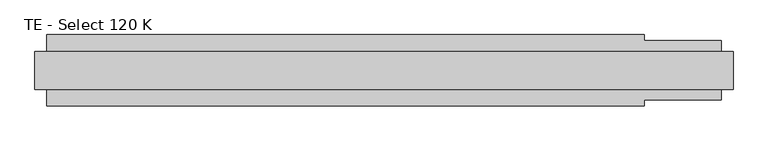
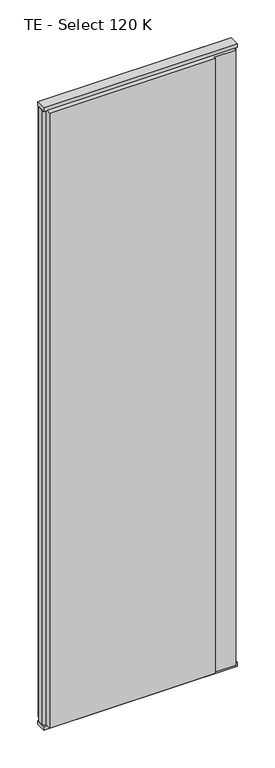
"""IFC4 building model written with IfcOpenShell, lengths in millimetres: plate geometry, TE - Select 120 K."""

from ifc_helpers import new_model, si_unit, frame, origin, origin_with_axes, place, context, project, spatial, polyline, outline, extrude, source, transform, mapped, element, save


def te_select_120_k_fbdbc57a(model_context):
    return source(origin(), model_context, "Body", "SweptSolid", [
        extrude(outline(polyline([(438.0, 60.0), (438.0, 50.0), (568.0, 50.0), (568.0, 22.9993165), (588.0, 17.6401049), (588.0, -17.6401049), (568.0, -22.9993165), (568.0, -50.0), (438.0, -50.0), (438.0, -60.0), (-568.0, -60.0), (-568.0, -22.9993165), (-588.0, -17.6401049), (-588.0, 17.6401049), (-568.0, 22.9993165), (-568.0, 60.0), (438.0, 60.0)])), frame((0.0, 0.0, 25.0), z_axis=(0.0, 0.0, 1.0), x_axis=(1.0, 0.0, 0.0)), (0.0, 0.0, 1.0), 3950.0),
        extrude(outline(polyline([(588.0, 32.0), (588.0, -32.0), (-588.0, -32.0), (-588.0, 32.0), (588.0, 32.0)])), origin_with_axes(), (0.0, 0.0, 1.0), 25.0),
        extrude(outline(polyline([(588.0, 32.0), (588.0, -32.0), (-588.0, -32.0), (-588.0, 32.0), (588.0, 32.0)])), frame((0.0, 0.0, 3975.0), z_axis=(0.0, 0.0, 1.0), x_axis=(1.0, 0.0, 0.0)), (0.0, 0.0, 1.0), 25.0),
    ])


if __name__ == "__main__":
    model = new_model("IFC4")
    model_context = context("Model", 3, world=origin())
    ifc_project = project(units=[si_unit("LENGTHUNIT", "METRE", prefix="MILLI")], contexts=[model_context])
    site = spatial("IfcSite", under=ifc_project)
    building = spatial("IfcBuilding", under=site)
    placement = place(None, origin())
    te_select_120_k_shape = te_select_120_k_fbdbc57a(model_context)
    element("IfcPlate", 1, ObjectType="TE - Select 120 K", at=placement, inside=building, context=model_context, shape_type="MappedRepresentation", body=[
        mapped(te_select_120_k_shape, transform((0.0, 0.0, 0.0), x_axis=(1.0, 0.0, 0.0), y_axis=(0.0, 1.0, 0.0), z_axis=(0.0, 0.0, 1.0))),
    ])
    save(model, "model.ifc")
